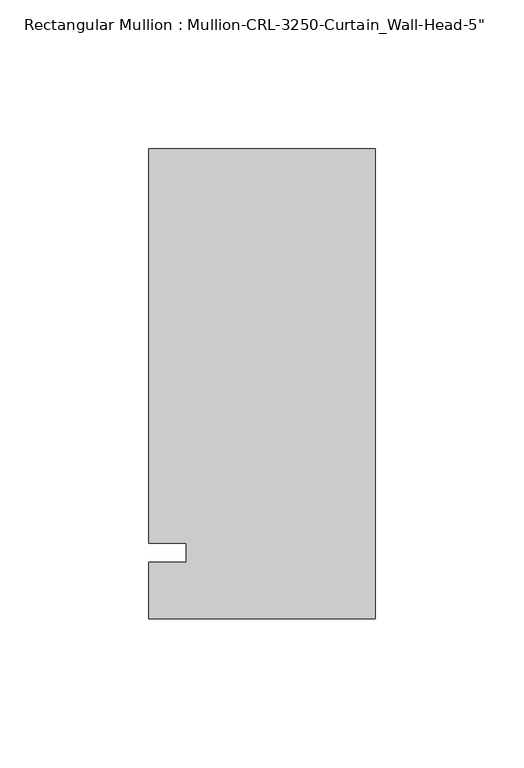
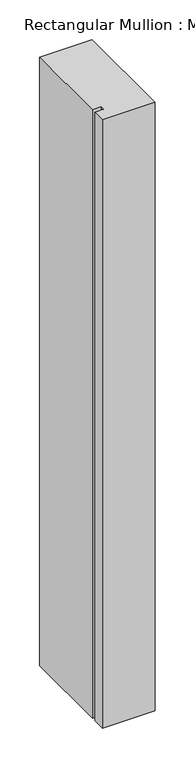
"""IFC4 building model written with IfcOpenShell, lengths in millimetres: member geometry."""

from ifc_helpers import new_model, si_unit, frame, origin, place, context, project, spatial, polyline, outline, extrude, source, transform, mapped, element, save


def member_e923b8de(model_context):
    return source(origin(), model_context, "Body", "SweptSolid", [
        extrude(outline(polyline([(0.0, -22.2254168), (-76.199997, -22.2254168), (-76.199997, -3.175), (-63.499997, -3.175), (-63.499997, 3.175), (-76.199997, 3.175), (-76.199997, 136.0164463), (0.0, 136.0164463), (0.0, -22.2254168)])), frame((0.0, 0.0, -933.4410361), z_axis=(0.0, 0.0, 1.0), x_axis=(1.0, 0.0, 0.0)), (0.0, 0.0, 1.0), 933.4410361),
    ])


if __name__ == "__main__":
    model = new_model("IFC4")
    model_context = context("Model", 3, world=origin())
    ifc_project = project(units=[si_unit("LENGTHUNIT", "METRE", prefix="MILLI")], contexts=[model_context])
    site = spatial("IfcSite", under=ifc_project)
    building = spatial("IfcBuilding", under=site)
    placement = place(None, origin())
    member_shape = member_e923b8de(model_context)
    element("IfcMember", 1, ObjectType="Rectangular Mullion : Mullion-CRL-3250-Curtain_Wall-Head-5\"", at=placement, inside=building, context=model_context, shape_type="MappedRepresentation", body=[
        mapped(member_shape, transform((0.0, 0.0, 0.0), x_axis=(1.0, 0.0, 0.0), y_axis=(0.0, 1.0, 0.0), z_axis=(0.0, 0.0, 1.0))),
    ])
    save(model, "model.ifc")
